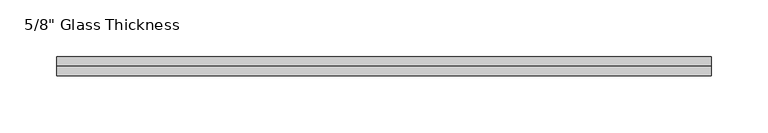
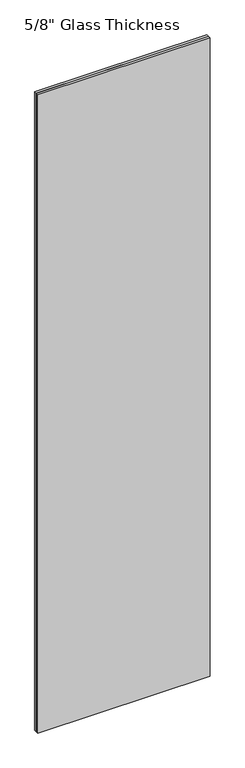
"""IFC4 building model written with IfcOpenShell, lengths in millimetres: plate geometry."""

from ifc_helpers import new_model, si_unit, origin, origin_with_axes, place, context, project, spatial, polyline, outline, extrude, source, transform, mapped, element, save


def plate_97a128e0(model_context):
    return source(origin(), model_context, "Body", "SweptSolid", [
        extrude(outline(polyline([(289.4481802, 8.76), (-289.4481802, 8.76), (-289.4481802, 16.76), (289.4481802, 16.76), (289.4481802, 8.76)])), origin_with_axes(), (0.0, 0.0, 1.0), 2267.0),
        extrude(outline(polyline([(289.4481802, 0.0), (-289.4481802, 0.0), (-289.4481802, 8.0), (289.4481802, 8.0), (289.4481802, 0.0)])), origin_with_axes(), (0.0, 0.0, 1.0), 2267.0),
    ])


if __name__ == "__main__":
    model = new_model("IFC4")
    model_context = context("Model", 3, world=origin())
    ifc_project = project(units=[si_unit("LENGTHUNIT", "METRE", prefix="MILLI")], contexts=[model_context])
    site = spatial("IfcSite", under=ifc_project)
    building = spatial("IfcBuilding", under=site)
    placement = place(None, origin())
    plate_shape = plate_97a128e0(model_context)
    element("IfcPlate", 1, ObjectType="5/8\" Glass Thickness", at=placement, inside=building, context=model_context, shape_type="MappedRepresentation", body=[
        mapped(plate_shape, transform((0.0, 0.0, 0.0), x_axis=(1.0, 0.0, 0.0), y_axis=(0.0, 1.0, 0.0), z_axis=(0.0, 0.0, 1.0))),
    ])
    save(model, "model.ifc")
